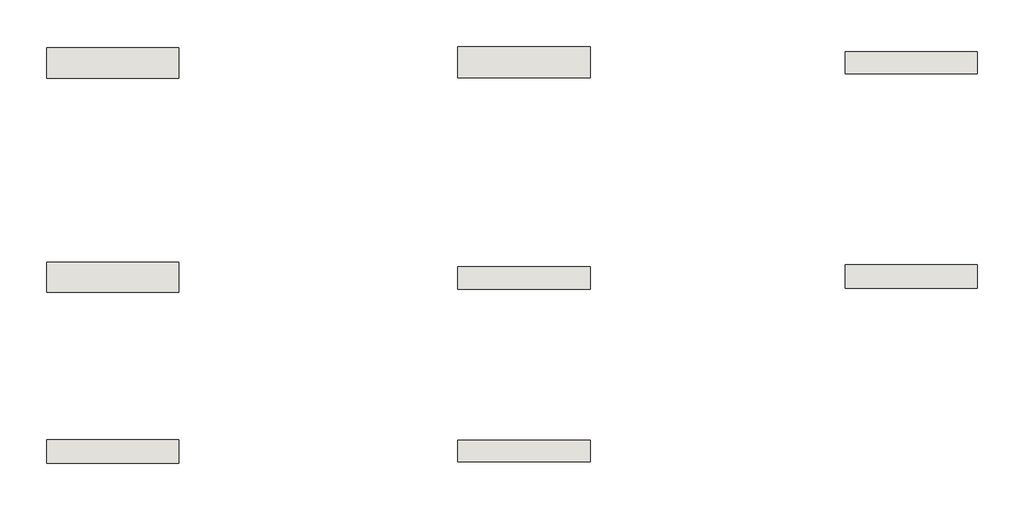
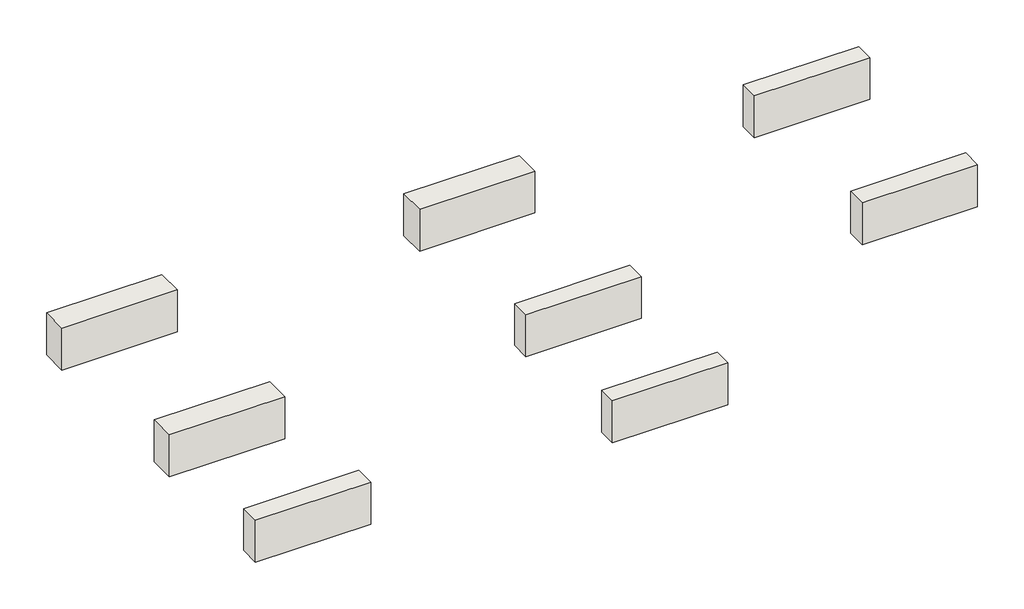
# One storey: 8 walls.
"""IFC4 building model written with IfcOpenShell, lengths in millimetres."""

from ifc_helpers import new_model, si_unit, origin, origin_with_axes, place, context, project, spatial, polyline, outline, extrude, element, save

model = new_model("IFC4")

# Units and contexts
model_context = context("Model", 3, world=origin())
ifc_project = project(units=[si_unit("LENGTHUNIT", "METRE", prefix="MILLI")], contexts=[model_context])

# Site, building, storey
site = spatial("IfcSite", under=ifc_project)
building = spatial("IfcBuilding", under=site)
storey = spatial("IfcBuildingStorey", under=building, Elevation=0.0)

# Walls
placement = place(None, origin())
element("IfcWall", 1, at=placement, inside=storey, context=model_context, shape_type="SweptSolid", body=[
    extrude(outline(polyline([(-11159.3783047, 7293.1691319), (-13759.3783047, 7293.1691319), (-13759.3783047, 7895.1691319), (-11159.3783047, 7895.1691319), (-11159.3783047, 7293.1691319)])), origin_with_axes(), (0.0, 0.0, 1.0), 1000.0),
])
element("IfcWall", 2, at=placement, inside=storey, context=model_context, shape_type="SweptSolid", body=[
    extrude(outline(polyline([(-11159.3783047, 3094.9329713), (-13759.3783047, 3094.9329713), (-13759.3783047, 3679.9329713), (-11159.3783047, 3679.9329713), (-11159.3783047, 3094.9329713)])), origin_with_axes(), (0.0, 0.0, 1.0), 1000.0),
])
element("IfcWall", 3, at=placement, inside=storey, context=model_context, shape_type="SweptSolid", body=[
    extrude(outline(polyline([(-11159.3783047, -267.5612882), (-13759.3783047, -267.5612882), (-13759.3783047, 196.4387118), (-11159.3783047, 196.4387118), (-11159.3783047, -267.5612882)])), origin_with_axes(), (0.0, 0.0, 1.0), 1000.0),
])
element("IfcWall", 4, at=placement, inside=storey, context=model_context, shape_type="SweptSolid", body=[
    extrude(outline(polyline([(-3081.1402674, 7307.6691319), (-5681.1402674, 7307.6691319), (-5681.1402674, 7917.6691319), (-3081.1402674, 7917.6691319), (-3081.1402674, 7307.6691319)])), origin_with_axes(), (0.0, 0.0, 1.0), 1000.0),
])
element("IfcWall", 5, at=placement, inside=storey, context=model_context, shape_type="SweptSolid", body=[
    extrude(outline(polyline([(-3081.1402674, 3156.9930806), (-5681.1402674, 3156.9930806), (-5681.1402674, 3594.9930806), (-3081.1402674, 3594.9930806), (-3081.1402674, 3156.9930806)])), origin_with_axes(), (0.0, 0.0, 1.0), 1000.0),
])
element("IfcWall", 6, at=placement, inside=storey, context=model_context, shape_type="SweptSolid", body=[
    extrude(outline(polyline([(-3081.1402674, -230.7947706), (-5681.1402674, -230.7947706), (-5681.1402674, 188.2052294), (-3081.1402674, 188.2052294), (-3081.1402674, -230.7947706)])), origin_with_axes(), (0.0, 0.0, 1.0), 1000.0),
])
element("IfcWall", 7, at=placement, inside=storey, context=model_context, shape_type="SweptSolid", body=[
    extrude(outline(polyline([(4518.8597326, 7383.6691319), (1918.8597326, 7383.6691319), (1918.8597326, 7816.6691319), (4518.8597326, 7816.6691319), (4518.8597326, 7383.6691319)])), origin_with_axes(), (0.0, 0.0, 1.0), 1000.0),
])
element("IfcWall", 8, at=placement, inside=storey, context=model_context, shape_type="SweptSolid", body=[
    extrude(outline(polyline([(4518.8597326, 3173.4329713), (1918.8597326, 3173.4329713), (1918.8597326, 3631.4329713), (4518.8597326, 3631.4329713), (4518.8597326, 3173.4329713)])), origin_with_axes(), (0.0, 0.0, 1.0), 1000.0),
])

save(model, "model.ifc")
